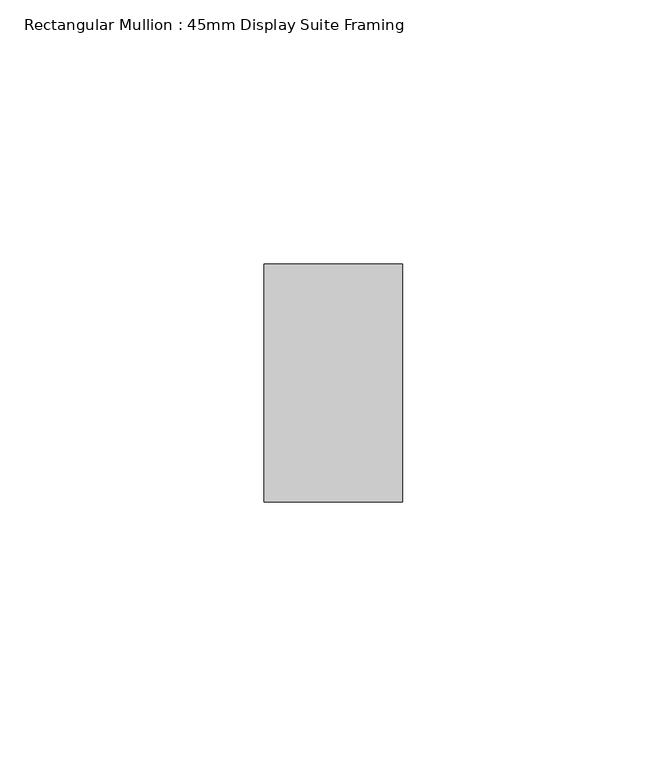
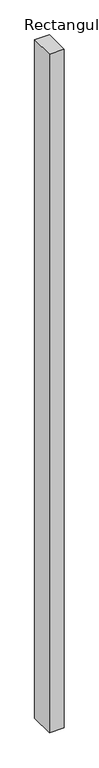
"""IFC4 building model written with IfcOpenShell, lengths in millimetres: member geometry, Rectangular Mullion : 45mm Display Suite Framing."""

import ifcopenshell
import ifcopenshell.guid

model = None  # the IFC model being written
_history = None  # IfcOwnerHistory: only IFC2X3 demands one
_inside = {}  # id of a spatial element -> (the spatial element, [elements in it])
_under = {}  # id of a project, library or spatial element -> (it, [spatial elements below it])
_declared = {}  # id of a project -> (the project, [libraries it declares])
_typed = {}  # id of a type object -> (the type object, [elements of that type])
_made_of = {}  # id of a material, layer set ... -> (it, [elements and type objects made of it])


def new_model(schema):
    """Start an empty IFC model of exactly this schema.

    Asked for "IFC4X3", IfcOpenShell would pick the latest addendum, in which some entities
    have other attributes; the version numbers below select the first issue.
    IFC2X3 requires an IfcOwnerHistory on every rooted entity: one is made here for all.
    """
    global model, _history
    if schema == "IFC4X3":
        model = ifcopenshell.file(schema_version=(4, 3, 0, 0))
    else:
        model = ifcopenshell.file(schema=schema)
    _inside.clear()
    _under.clear()
    _declared.clear()
    _typed.clear()
    _made_of.clear()
    _history = None
    if model.schema == "IFC2X3":
        org = make("IfcOrganization", Name="unknown")
        user = make(
            "IfcPersonAndOrganization",
            ThePerson=make("IfcPerson", FamilyName="unknown"),
            TheOrganization=org,
        )
        app = make(
            "IfcApplication",
            ApplicationDeveloper=org,
            Version="unknown",
            ApplicationFullName="unknown",
            ApplicationIdentifier="unknown",
        )
        _history = make(
            "IfcOwnerHistory",
            OwningUser=user,
            OwningApplication=app,
            ChangeAction="ADDED",
            CreationDate=0,
        )
    return model


def make(cls, **values):
    """One entity of the class cls with the attributes given. An attribute that is None is left unset."""
    return model.create_entity(
        cls, **{name: value for name, value in values.items() if value is not None}
    )


def rooted(cls, **values):
    """An entity with a GlobalId (a new one), such as an element, a storey or a relation."""
    return make(cls, GlobalId=ifcopenshell.guid.new(), OwnerHistory=_history, **values)


def si_unit(unit_type, name, prefix=None):
    """IfcSIUnit, for example si_unit("LENGTHUNIT", "METRE", prefix="MILLI")."""
    return make("IfcSIUnit", UnitType=unit_type, Prefix=prefix, Name=name)


def assignment(units):
    """IfcUnitAssignment: the units of a project."""
    return None if units is None else make("IfcUnitAssignment", Units=units)


def point(xyz):
    """IfcCartesianPoint."""
    return None if xyz is None else make("IfcCartesianPoint", Coordinates=xyz)


def direction(xyz):
    """IfcDirection."""
    return None if xyz is None else make("IfcDirection", DirectionRatios=xyz)


def frame(location, z_axis=None, x_axis=None):
    """IfcAxis2Placement3D, a coordinate frame: its origin and axes. An axis left out is left unset."""
    return make(
        "IfcAxis2Placement3D",
        Location=point(location),
        Axis=direction(z_axis),
        RefDirection=direction(x_axis),
    )


def origin():
    """The frame at (0, 0, 0) with its axes left unset."""
    return frame((0.0, 0.0, 0.0))


def place(relative_to, where):
    """IfcLocalPlacement: puts the frame where relative to a parent placement (None: the world)."""
    return make(
        "IfcLocalPlacement", PlacementRelTo=relative_to, RelativePlacement=where
    )


def context(
    kind, dimensions, precision=None, world=None, true_north=None, identifier=None
):
    """IfcGeometricRepresentationContext, for example the 3D "Model" context."""
    return make(
        "IfcGeometricRepresentationContext",
        ContextIdentifier=identifier,
        ContextType=kind,
        CoordinateSpaceDimension=dimensions,
        Precision=precision,
        WorldCoordinateSystem=world,
        TrueNorth=true_north,
    )


def project(units=None, contexts=None):
    """IfcProject with its units and contexts."""
    return rooted(
        "IfcProject",
        Name="project",
        RepresentationContexts=contexts,
        UnitsInContext=assignment(units),
    )


def spatial(cls, under=None, at=None, **own):
    """A site, building, storey or space (cls), placed at a placement, below another one or the project."""
    s = rooted(cls, ObjectPlacement=at, **own)
    if under is not None:
        _under.setdefault(under.id(), (under, []))[1].append(s)
    return s


def polyline(points):
    """IfcPolyline through the points."""
    return make("IfcPolyline", Points=[point(p) for p in points])


def outline(outer, holes=None, kind="AREA"):
    """IfcArbitraryClosedProfileDef: a profile drawn as a closed curve; with holes, ...WithVoids."""
    if holes is None:
        return make("IfcArbitraryClosedProfileDef", ProfileType=kind, OuterCurve=outer)
    return make(
        "IfcArbitraryProfileDefWithVoids",
        ProfileType=kind,
        OuterCurve=outer,
        InnerCurves=holes,
    )


def extrude(swept, where, along, depth):
    """IfcExtrudedAreaSolid: the profile swept, set in the frame where, extruded along a direction by depth."""
    return make(
        "IfcExtrudedAreaSolid",
        SweptArea=swept,
        Position=where,
        ExtrudedDirection=direction(along),
        Depth=depth,
    )


def shape(context_of_items, identifier, shape_type, items):
    """IfcShapeRepresentation: the items that make up one representation, for example the "Body"."""
    return make(
        "IfcShapeRepresentation",
        ContextOfItems=context_of_items,
        RepresentationIdentifier=identifier,
        RepresentationType=shape_type,
        Items=items,
    )


def source(mapping_origin, context_of_items, identifier, shape_type, items):
    """IfcRepresentationMap: a shape defined once, which mapped items show again and again."""
    return make(
        "IfcRepresentationMap",
        MappingOrigin=mapping_origin,
        MappedRepresentation=shape(context_of_items, identifier, shape_type, items),
    )


def transform(
    local_origin,
    x_axis=None,
    y_axis=None,
    z_axis=None,
    scale=None,
    scale2=None,
    scale3=None,
    uniform=True,
):
    """IfcCartesianTransformationOperator3D, or its non-uniform kind. x_axis, y_axis, z_axis: its Axis1, 2, 3."""
    if uniform:
        return make(
            "IfcCartesianTransformationOperator3D",
            Axis1=direction(x_axis),
            Axis2=direction(y_axis),
            LocalOrigin=point(local_origin),
            Scale=scale,
            Axis3=direction(z_axis),
        )
    return make(
        "IfcCartesianTransformationOperator3DnonUniform",
        Axis1=direction(x_axis),
        Axis2=direction(y_axis),
        LocalOrigin=point(local_origin),
        Scale=scale,
        Axis3=direction(z_axis),
        Scale2=scale2,
        Scale3=scale3,
    )


def mapped(mapping_source, mapping_target):
    """IfcMappedItem: shows the shape of a source again, moved by a transform."""
    return make(
        "IfcMappedItem", MappingSource=mapping_source, MappingTarget=mapping_target
    )


def made_of(thing, what):
    """Note that an element or type object is made of a material, layer set ...; save() writes the relation."""
    if what is not None:
        _made_of.setdefault(what.id(), (what, []))[1].append(thing)
    return thing


def element(
    cls,
    number,
    at=None,
    inside=None,
    cuts=None,
    type_object=None,
    material=None,
    context=None,
    identifier="Body",
    shape_type=None,
    held_by="IfcProductDefinitionShape",
    body=None,
    shapes=None,
    **own,
):
    """One element of the class cls, such as IfcWall. Its Tag is "e" and its number.

    at: its placement. inside: the storey or other place that contains it. cuts: it is an
    opening in that element (IfcRelVoidsElement). A single representation is given by context,
    identifier, shape_type and body (its items); several are given by shapes. held_by: the class
    of the entity that holds the representations. save() writes the other relations.
    """
    e = rooted(cls, Tag="e%d" % number, ObjectPlacement=at, **own)
    if body is not None:
        shapes = [shape(context, identifier, shape_type, body)]
    if shapes is not None:
        e.Representation = make(held_by, Representations=shapes)
    if inside is not None:
        _inside.setdefault(inside.id(), (inside, []))[1].append(e)
    if cuts is not None:
        rooted(
            "IfcRelVoidsElement", RelatingBuildingElement=cuts, RelatedOpeningElement=e
        )
    if type_object is not None:
        _typed.setdefault(type_object.id(), (type_object, []))[1].append(e)
    return made_of(e, material)


def aggregate(whole, parts):
    """IfcRelAggregates: a whole, such as a stair, and the parts it consists of."""
    return rooted("IfcRelAggregates", RelatingObject=whole, RelatedObjects=parts)


def save(model, path):
    """Write the relations noted so far, then the file.

    IfcRelAggregates (storeys below a building ...), IfcRelContainedInSpatialStructure (elements
    in a storey), IfcRelDefinesByType, IfcRelAssociatesMaterial and IfcRelDeclares: one each for
    every whole, place, type object, material and project.
    """
    for whole, parts in _under.values():
        aggregate(whole, parts)
    for where, things in _inside.values():
        rooted(
            "IfcRelContainedInSpatialStructure",
            RelatedElements=things,
            RelatingStructure=where,
        )
    for kind, things in _typed.values():
        rooted("IfcRelDefinesByType", RelatedObjects=things, RelatingType=kind)
    for what, things in _made_of.values():
        rooted("IfcRelAssociatesMaterial", RelatedObjects=things, RelatingMaterial=what)
    for by, libraries in _declared.values():
        rooted("IfcRelDeclares", RelatingContext=by, RelatedDefinitions=libraries)
    model.write(path)


def rectangular_mullion_45mm_display_suite_framing_b3d7cb06(model_context):
    return source(origin(), model_context, "Body", "SweptSolid", [
        extrude(outline(polyline([(13.1, 22.5), (13.1, -22.5), (-13.1, -22.5), (-13.1, 22.5), (13.1, 22.5)])), frame((0.0, 0.0, -1273.8), z_axis=(0.0, 0.0, 1.0), x_axis=(1.0, 0.0, 0.0)), (0.0, 0.0, 1.0), 1273.8),
    ])


if __name__ == "__main__":
    model = new_model("IFC4")
    model_context = context("Model", 3, world=origin())
    ifc_project = project(units=[si_unit("LENGTHUNIT", "METRE", prefix="MILLI")], contexts=[model_context])
    site = spatial("IfcSite", under=ifc_project)
    building = spatial("IfcBuilding", under=site)
    placement = place(None, origin())
    rectangular_mullion_45mm_display_suite_framing_shape = rectangular_mullion_45mm_display_suite_framing_b3d7cb06(model_context)
    element("IfcMember", 1, ObjectType="Rectangular Mullion : 45mm Display Suite Framing", at=placement, inside=building, context=model_context, shape_type="MappedRepresentation", body=[
        mapped(rectangular_mullion_45mm_display_suite_framing_shape, transform((0.0, 0.0, 0.0), x_axis=(1.0, 0.0, 0.0), y_axis=(0.0, 1.0, 0.0), z_axis=(0.0, 0.0, 1.0))),
    ])
    save(model, "model.ifc")
